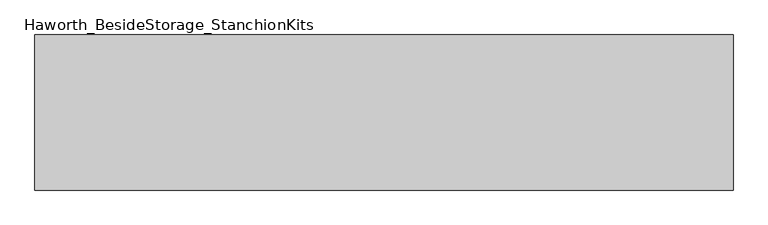
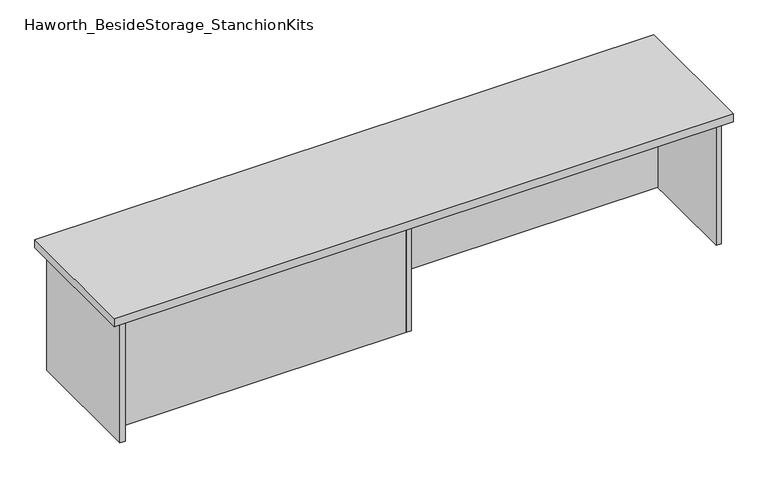
"""IFC4 building model written with IfcOpenShell, lengths in millimetres: furniture geometry, Haworth_BesideStorage_StanchionKits."""

from ifc_helpers import new_model, si_unit, frame, origin, place, context, project, spatial, polyline, outline, extrude, source, transform, mapped, element, save


def haworth_besidestorage_stanchionkits_b2e9aae1(model_context):
    return source(origin(), model_context, "Body", "SweptSolid", [
        extrude(outline(polyline([(1076.325, 0.0), (1076.325, -406.4), (-752.475, -406.4), (-752.475, 0.0), (1076.325, 0.0)])), frame((0.0, 0.0, 812.8), z_axis=(0.0, 0.0, 1.0), x_axis=(1.0, 0.0, 0.0)), (0.0, 0.0, 1.0), 25.4),
        extrude(outline(polyline([(169.8625, -76.2), (1035.05, -76.2), (1035.05, -92.075), (169.8625, -92.075), (169.8625, -76.2)])), frame((0.0, 0.0, 431.8), z_axis=(0.0, 0.0, 1.0), x_axis=(1.0, 0.0, 0.0)), (0.0, 0.0, 1.0), 381.0),
        extrude(outline(polyline([(153.9875, -314.325), (153.9875, -330.2), (-711.2, -330.2), (-711.2, -314.325), (153.9875, -314.325)])), frame((0.0, 0.0, 431.8), z_axis=(0.0, 0.0, 1.0), x_axis=(1.0, 0.0, 0.0)), (0.0, 0.0, 1.0), 381.0),
        extrude(outline(polyline([(169.8625, -330.2), (153.9875, -330.2), (153.9875, -76.2), (169.8625, -76.2), (169.8625, -330.2)])), frame((0.0, 0.0, 431.8), z_axis=(0.0, 0.0, 1.0), x_axis=(1.0, 0.0, 0.0)), (0.0, 0.0, 1.0), 381.0),
        extrude(outline(polyline([(1050.925, -390.525), (1035.05, -390.525), (1035.05, -15.875), (1050.925, -15.875), (1050.925, -390.525)])), frame((0.0, 0.0, 431.8), z_axis=(0.0, 0.0, 1.0), x_axis=(1.0, 0.0, 0.0)), (0.0, 0.0, 1.0), 381.0),
        extrude(outline(polyline([(-711.2, -390.525), (-727.075, -390.525), (-727.075, -15.875), (-711.2, -15.875), (-711.2, -390.525)])), frame((0.0, 0.0, 431.8), z_axis=(0.0, 0.0, 1.0), x_axis=(1.0, 0.0, 0.0)), (0.0, 0.0, 1.0), 381.0),
    ])


if __name__ == "__main__":
    model = new_model("IFC4")
    model_context = context("Model", 3, world=origin())
    ifc_project = project(units=[si_unit("LENGTHUNIT", "METRE", prefix="MILLI")], contexts=[model_context])
    site = spatial("IfcSite", under=ifc_project)
    building = spatial("IfcBuilding", under=site)
    placement = place(None, origin())
    haworth_besidestorage_stanchionkits_shape = haworth_besidestorage_stanchionkits_b2e9aae1(model_context)
    element("IfcFurniture", 1, ObjectType="Haworth_BesideStorage_StanchionKits", at=placement, inside=building, context=model_context, shape_type="MappedRepresentation", body=[
        mapped(haworth_besidestorage_stanchionkits_shape, transform((0.0, 0.0, 0.0), x_axis=(1.0, 0.0, 0.0), y_axis=(0.0, 1.0, 0.0), z_axis=(0.0, 0.0, 1.0))),
    ])
    save(model, "model.ifc")
